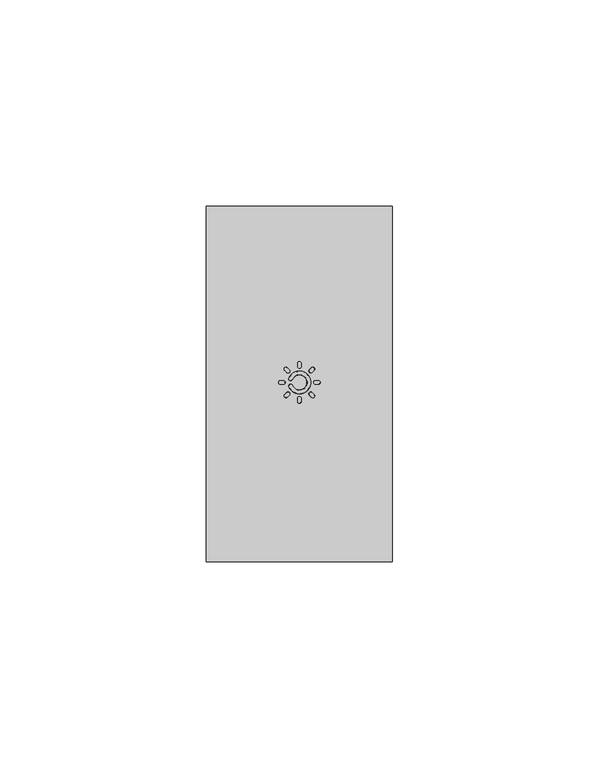
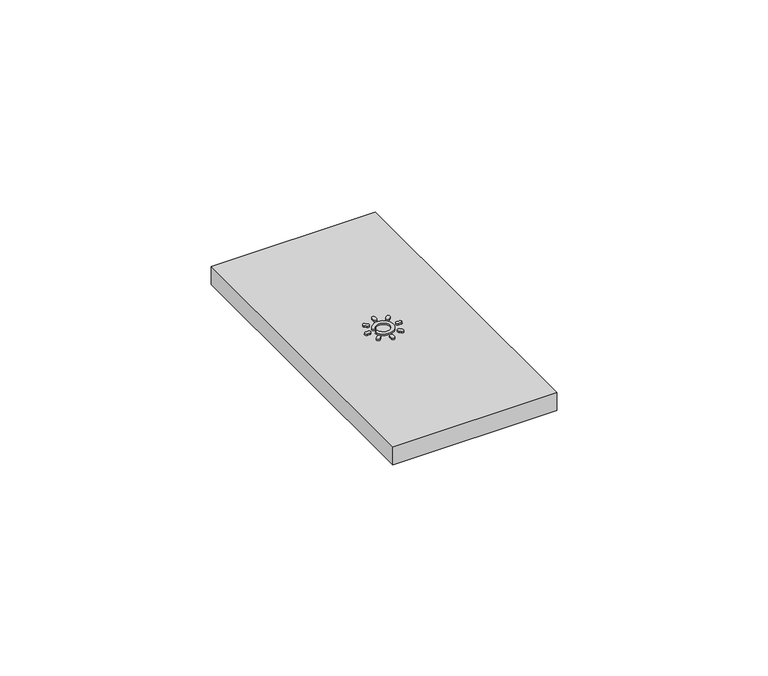
"""IFC4 building model written with IfcOpenShell, lengths in millimetres: proxy geometry."""

import ifcopenshell
import ifcopenshell.guid

model = None  # the IFC model being written
_history = None  # IfcOwnerHistory: only IFC2X3 demands one
_inside = {}  # id of a spatial element -> (the spatial element, [elements in it])
_under = {}  # id of a project, library or spatial element -> (it, [spatial elements below it])
_declared = {}  # id of a project -> (the project, [libraries it declares])
_typed = {}  # id of a type object -> (the type object, [elements of that type])
_made_of = {}  # id of a material, layer set ... -> (it, [elements and type objects made of it])


def new_model(schema):
    """Start an empty IFC model of exactly this schema.

    Asked for "IFC4X3", IfcOpenShell would pick the latest addendum, in which some entities
    have other attributes; the version numbers below select the first issue.
    IFC2X3 requires an IfcOwnerHistory on every rooted entity: one is made here for all.
    """
    global model, _history
    if schema == "IFC4X3":
        model = ifcopenshell.file(schema_version=(4, 3, 0, 0))
    else:
        model = ifcopenshell.file(schema=schema)
    _inside.clear()
    _under.clear()
    _declared.clear()
    _typed.clear()
    _made_of.clear()
    _history = None
    if model.schema == "IFC2X3":
        org = make("IfcOrganization", Name="unknown")
        user = make(
            "IfcPersonAndOrganization",
            ThePerson=make("IfcPerson", FamilyName="unknown"),
            TheOrganization=org,
        )
        app = make(
            "IfcApplication",
            ApplicationDeveloper=org,
            Version="unknown",
            ApplicationFullName="unknown",
            ApplicationIdentifier="unknown",
        )
        _history = make(
            "IfcOwnerHistory",
            OwningUser=user,
            OwningApplication=app,
            ChangeAction="ADDED",
            CreationDate=0,
        )
    return model


def make(cls, **values):
    """One entity of the class cls with the attributes given. An attribute that is None is left unset."""
    return model.create_entity(
        cls, **{name: value for name, value in values.items() if value is not None}
    )


def rooted(cls, **values):
    """An entity with a GlobalId (a new one), such as an element, a storey or a relation."""
    return make(cls, GlobalId=ifcopenshell.guid.new(), OwnerHistory=_history, **values)


def si_unit(unit_type, name, prefix=None):
    """IfcSIUnit, for example si_unit("LENGTHUNIT", "METRE", prefix="MILLI")."""
    return make("IfcSIUnit", UnitType=unit_type, Prefix=prefix, Name=name)


def assignment(units):
    """IfcUnitAssignment: the units of a project."""
    return None if units is None else make("IfcUnitAssignment", Units=units)


def point(xyz):
    """IfcCartesianPoint."""
    return None if xyz is None else make("IfcCartesianPoint", Coordinates=xyz)


def direction(xyz):
    """IfcDirection."""
    return None if xyz is None else make("IfcDirection", DirectionRatios=xyz)


def frame(location, z_axis=None, x_axis=None):
    """IfcAxis2Placement3D, a coordinate frame: its origin and axes. An axis left out is left unset."""
    return make(
        "IfcAxis2Placement3D",
        Location=point(location),
        Axis=direction(z_axis),
        RefDirection=direction(x_axis),
    )


def origin():
    """The frame at (0, 0, 0) with its axes left unset."""
    return frame((0.0, 0.0, 0.0))


def place(relative_to, where):
    """IfcLocalPlacement: puts the frame where relative to a parent placement (None: the world)."""
    return make(
        "IfcLocalPlacement", PlacementRelTo=relative_to, RelativePlacement=where
    )


def context(
    kind, dimensions, precision=None, world=None, true_north=None, identifier=None
):
    """IfcGeometricRepresentationContext, for example the 3D "Model" context."""
    return make(
        "IfcGeometricRepresentationContext",
        ContextIdentifier=identifier,
        ContextType=kind,
        CoordinateSpaceDimension=dimensions,
        Precision=precision,
        WorldCoordinateSystem=world,
        TrueNorth=true_north,
    )


def project(units=None, contexts=None):
    """IfcProject with its units and contexts."""
    return rooted(
        "IfcProject",
        Name="project",
        RepresentationContexts=contexts,
        UnitsInContext=assignment(units),
    )


def spatial(cls, under=None, at=None, **own):
    """A site, building, storey or space (cls), placed at a placement, below another one or the project."""
    s = rooted(cls, ObjectPlacement=at, **own)
    if under is not None:
        _under.setdefault(under.id(), (under, []))[1].append(s)
    return s


def polyline(points):
    """IfcPolyline through the points."""
    return make("IfcPolyline", Points=[point(p) for p in points])


def circle_curve(where, radius):
    """IfcCircle in the frame where."""
    return make("IfcCircle", Position=where, Radius=radius)


def outline(outer, holes=None, kind="AREA"):
    """IfcArbitraryClosedProfileDef: a profile drawn as a closed curve; with holes, ...WithVoids."""
    if holes is None:
        return make("IfcArbitraryClosedProfileDef", ProfileType=kind, OuterCurve=outer)
    return make(
        "IfcArbitraryProfileDefWithVoids",
        ProfileType=kind,
        OuterCurve=outer,
        InnerCurves=holes,
    )


def extrude(swept, where, along, depth):
    """IfcExtrudedAreaSolid: the profile swept, set in the frame where, extruded along a direction by depth."""
    return make(
        "IfcExtrudedAreaSolid",
        SweptArea=swept,
        Position=where,
        ExtrudedDirection=direction(along),
        Depth=depth,
    )


def shape(context_of_items, identifier, shape_type, items):
    """IfcShapeRepresentation: the items that make up one representation, for example the "Body"."""
    return make(
        "IfcShapeRepresentation",
        ContextOfItems=context_of_items,
        RepresentationIdentifier=identifier,
        RepresentationType=shape_type,
        Items=items,
    )


def source(mapping_origin, context_of_items, identifier, shape_type, items):
    """IfcRepresentationMap: a shape defined once, which mapped items show again and again."""
    return make(
        "IfcRepresentationMap",
        MappingOrigin=mapping_origin,
        MappedRepresentation=shape(context_of_items, identifier, shape_type, items),
    )


def transform(
    local_origin,
    x_axis=None,
    y_axis=None,
    z_axis=None,
    scale=None,
    scale2=None,
    scale3=None,
    uniform=True,
):
    """IfcCartesianTransformationOperator3D, or its non-uniform kind. x_axis, y_axis, z_axis: its Axis1, 2, 3."""
    if uniform:
        return make(
            "IfcCartesianTransformationOperator3D",
            Axis1=direction(x_axis),
            Axis2=direction(y_axis),
            LocalOrigin=point(local_origin),
            Scale=scale,
            Axis3=direction(z_axis),
        )
    return make(
        "IfcCartesianTransformationOperator3DnonUniform",
        Axis1=direction(x_axis),
        Axis2=direction(y_axis),
        LocalOrigin=point(local_origin),
        Scale=scale,
        Axis3=direction(z_axis),
        Scale2=scale2,
        Scale3=scale3,
    )


def mapped(mapping_source, mapping_target):
    """IfcMappedItem: shows the shape of a source again, moved by a transform."""
    return make(
        "IfcMappedItem", MappingSource=mapping_source, MappingTarget=mapping_target
    )


def made_of(thing, what):
    """Note that an element or type object is made of a material, layer set ...; save() writes the relation."""
    if what is not None:
        _made_of.setdefault(what.id(), (what, []))[1].append(thing)
    return thing


def element(
    cls,
    number,
    at=None,
    inside=None,
    cuts=None,
    type_object=None,
    material=None,
    context=None,
    identifier="Body",
    shape_type=None,
    held_by="IfcProductDefinitionShape",
    body=None,
    shapes=None,
    **own,
):
    """One element of the class cls, such as IfcWall. Its Tag is "e" and its number.

    at: its placement. inside: the storey or other place that contains it. cuts: it is an
    opening in that element (IfcRelVoidsElement). A single representation is given by context,
    identifier, shape_type and body (its items); several are given by shapes. held_by: the class
    of the entity that holds the representations. save() writes the other relations.
    """
    e = rooted(cls, Tag="e%d" % number, ObjectPlacement=at, **own)
    if body is not None:
        shapes = [shape(context, identifier, shape_type, body)]
    if shapes is not None:
        e.Representation = make(held_by, Representations=shapes)
    if inside is not None:
        _inside.setdefault(inside.id(), (inside, []))[1].append(e)
    if cuts is not None:
        rooted(
            "IfcRelVoidsElement", RelatingBuildingElement=cuts, RelatedOpeningElement=e
        )
    if type_object is not None:
        _typed.setdefault(type_object.id(), (type_object, []))[1].append(e)
    return made_of(e, material)


def aggregate(whole, parts):
    """IfcRelAggregates: a whole, such as a stair, and the parts it consists of."""
    return rooted("IfcRelAggregates", RelatingObject=whole, RelatedObjects=parts)


def save(model, path):
    """Write the relations noted so far, then the file.

    IfcRelAggregates (storeys below a building ...), IfcRelContainedInSpatialStructure (elements
    in a storey), IfcRelDefinesByType, IfcRelAssociatesMaterial and IfcRelDeclares: one each for
    every whole, place, type object, material and project.
    """
    for whole, parts in _under.values():
        aggregate(whole, parts)
    for where, things in _inside.values():
        rooted(
            "IfcRelContainedInSpatialStructure",
            RelatedElements=things,
            RelatingStructure=where,
        )
    for kind, things in _typed.values():
        rooted("IfcRelDefinesByType", RelatedObjects=things, RelatingType=kind)
    for what, things in _made_of.values():
        rooted("IfcRelAssociatesMaterial", RelatedObjects=things, RelatingMaterial=what)
    for by, libraries in _declared.values():
        rooted("IfcRelDeclares", RelatingContext=by, RelatedDefinitions=libraries)
    model.write(path)


def plane_surface(at):
    """IfcPlane: the flat surface through the origin of the frame at, square to its z axis."""
    return make("IfcPlane", Position=at)


def revolved_surface(curve, axis_point, axis_direction):
    """IfcSurfaceOfRevolution: the curve turned about the line through axis_point along axis_direction."""
    return make(
        "IfcSurfaceOfRevolution",
        SweptCurve=make("IfcArbitraryOpenProfileDef", ProfileType="CURVE", Curve=curve),
        AxisPosition=make("IfcAxis1Placement", Location=point(axis_point), Axis=direction(axis_direction)),
    )


def advanced_brep(points, edges, surfaces, faces):
    """IfcAdvancedBrep: a solid bounded by faces that lie on surfaces and meet in shared edges.

    An edge is (start, end): straight between two places in points (the first is 0);
    or (start, end, curve); or (start, end, curve, False) where it runs against its curve.
    A face is (place in surfaces, loops), or (place, loops, False) where it looks against
    its surface's normal. A loop lists edges by number (the first is 1), with a minus sign
    where the edge is run from its end to its start. The first loop is the outer one.
    """
    corners = [point(p) for p in points]
    vertices = [make("IfcVertexPoint", VertexGeometry=c) for c in corners]
    made = []
    for start, end, *more in edges:
        made.append(
            make(
                "IfcEdgeCurve",
                EdgeStart=vertices[start],
                EdgeEnd=vertices[end],
                EdgeGeometry=more[0] if more else make("IfcPolyline", Points=[corners[start], corners[end]]),
                SameSense=more[1] if len(more) > 1 else True,
            )
        )
    hull = []
    for where, loops, *sense in faces:
        bounds = []
        for j, loop in enumerate(loops):
            ring = [make("IfcOrientedEdge", EdgeElement=made[abs(k) - 1], Orientation=k > 0) for k in loop]
            bounds.append(
                make(
                    "IfcFaceOuterBound" if j == 0 else "IfcFaceBound",
                    Bound=make("IfcEdgeLoop", EdgeList=ring),
                    Orientation=True,
                )
            )
        hull.append(make("IfcAdvancedFace", Bounds=bounds, FaceSurface=surfaces[where], SameSense=sense[0] if sense else True))
    return make("IfcAdvancedBrep", Outer=make("IfcClosedShell", CfsFaces=hull))


def electrical_fixtures_6c737bce(model_context):
    return source(origin(), model_context, "Body", "SolidModel", [
        advanced_brep(
        [(17.9098359, 43.8107748, 11.1074072), (17.9098359, 42.94208, 11.1074072), (18.6098405, 42.94208, 11.1074072), (18.6098359, 43.8107748, 11.1074072), (18.6098359, 43.8464183, 10.7), (18.6098405, 42.9064365, 10.7), (17.9098359, 42.9064365, 10.7), (17.9098359, 43.8464183, 10.7)],
        [
            (0, 1, circle_curve(frame((17.9098359, 43.3764274, 11.1074072), z_axis=(0.0, 0.0, 1.0), x_axis=(0.0, 1.0000000000000002, 0.0)), 0.4343474)),
            (1, 2),
            (2, 3, circle_curve(frame((18.6098359, 43.3764274, 11.1074072), z_axis=(0.0, 0.0, 1.0), x_axis=(1.1578075136041428e-05, -0.9999999999329744, 0.0)), 0.4343474)),
            (3, 0),
            (4, 5, circle_curve(frame((18.6098359, 43.3764274, 10.7), z_axis=(0.0, 0.0, -1.0), x_axis=(1.1578075136041428e-05, -0.9999999999329744, 0.0)), 0.4699909)),
            (5, 6),
            (6, 7, circle_curve(frame((17.9098359, 43.3764274, 10.7), z_axis=(0.0, 0.0, -1.0), x_axis=(0.0, 1.0000000000000002, 0.0)), 0.4699909)),
            (7, 4),
            (7, 0),
            (3, 4),
            (6, 1),
            (5, 2),
        ],
        [
            plane_surface(frame((22.5098359, 43.3764274, 11.1074072), z_axis=(0.0, 0.0, 1.0), x_axis=(1.0, 0.0, 0.0))),
            plane_surface(frame((22.5098359, 43.3764274, 10.7), z_axis=(0.0, 0.0, -1.0), x_axis=(1.0, 0.0, 0.0))),
            plane_surface(frame((22.5098359, 43.7764274, 11.5), z_axis=(0.0, 0.9961946980917439, 0.0871557427476776), x_axis=(-1.0, 0.0, 0.0))),
            revolved_surface(polyline([(17.9098359, 43.81077479075854, 11.1074072), (17.9098359, 43.8464183, 10.7)]), (17.9098359, 43.3764274, 16.0720209), (0.0, 0.0, -1.0)),
            plane_surface(frame((22.5098359, 42.9764274, 11.5), z_axis=(0.0, -0.9961946980917439, 0.0871557427476776), x_axis=(-1.0, 0.0, 0.0))),
            revolved_surface(polyline([(18.609840151141878, 42.94208000924146, 11.1074072), (18.6098405, 42.9064365, 10.7)]), (18.6098359, 43.3764274, 16.0720209), (0.0, 0.0, -1.0)),
        ],
        [
            (0, [[1, 2, 3, 4]]),
            (1, [[5, 6, 7, 8]]),
            (2, [[-8, 9, -4, 10]]),
            (3, [[-7, 11, -1, -9]]),
            (4, [[12, -2, -11, -6]]),
            (5, [[-5, -10, -3, -12]]),
        ],
    ),
        advanced_brep(
        [(18.9500147, 40.4308662, 11.1074072), (19.5642747, 39.8166062, 11.1074072), (20.0592527, 40.3115842, 11.1074072), (19.4449895, 40.925841, 11.1074072), (19.5894785, 39.7914024, 10.7), (18.924811, 40.45607, 10.7), (19.4197857, 40.9510447, 10.7), (20.0844565, 40.2863804, 10.7)],
        [
            (0, 1, circle_curve(frame((19.2571447, 40.1237362, 11.1074072), z_axis=(0.0, 0.0, 1.0), x_axis=(-0.7071067811865489, 0.7071067811865462, 0.0)), 0.4343474)),
            (1, 2),
            (2, 3, circle_curve(frame((19.7521195, 40.618711, 11.1074072), z_axis=(0.0, 0.0, 1.0), x_axis=(0.7071149680746551, -0.7070985942036513, 0.0)), 0.4343474)),
            (3, 0),
            (4, 5, circle_curve(frame((19.2571447, 40.1237362, 10.7), z_axis=(0.0, 0.0, -1.0), x_axis=(-0.7071067811865489, 0.7071067811865462, 0.0)), 0.4699909)),
            (5, 6),
            (6, 7, circle_curve(frame((19.7521195, 40.618711, 10.7), z_axis=(0.0, 0.0, -1.0), x_axis=(0.7071149680746551, -0.7070985942036513, 0.0)), 0.4699909)),
            (7, 4),
            (5, 0),
            (3, 6),
            (4, 1),
            (7, 2),
        ],
        [
            plane_surface(frame((22.5098359, 43.3764274, 11.1074072), z_axis=(0.0, 0.0, 1.0), x_axis=(1.0, 0.0, 0.0))),
            plane_surface(frame((22.5098359, 43.3764274, 10.7), z_axis=(0.0, 0.0, -1.0), x_axis=(1.0, 0.0, 0.0))),
            plane_surface(frame((22.2269932, 43.6592701, 11.5), z_axis=(-0.7044160264027598, 0.7044160264027562, 0.08715574274767007), x_axis=(0.7071067811865458, 0.7071067811865493, 0.0))),
            revolved_surface(polyline([(18.950014763109454, 40.43086622930667, 11.1074072), (18.924811, 40.45607, 10.7)]), (19.2571447, 40.1237362, 16.0720209), (0.0, 0.0, -1.0)),
            plane_surface(frame((22.7926786, 43.0935847, 11.5), z_axis=(0.7044160264027598, -0.7044160264027562, 0.08715574274767007), x_axis=(-0.7071067811865458, -0.7071067811865493, 0.0))),
            revolved_surface(polyline([(20.059252486622764, 40.31158392800941, 11.1074072), (20.0844565, 40.2863804, 10.7)]), (19.7521195, 40.618711, 16.0720209), (0.0, 0.0, -1.0)),
        ],
        [
            (0, [[1, 2, 3, 4]]),
            (1, [[5, 6, 7, 8]]),
            (2, [[9, -4, 10, -6]]),
            (3, [[-5, 11, -1, -9]]),
            (4, [[12, -2, -11, -8]]),
            (5, [[-7, -10, -3, -12]]),
        ],
    ),
        advanced_brep(
        [(22.0754885, 38.7764274, 11.1074072), (22.9441834, 38.7764274, 11.1074072), (22.9441834, 39.4764324, 11.1074072), (22.0754885, 39.4764274, 11.1074072), (22.039845, 39.4764274, 10.7), (22.9798269, 39.4764328, 10.7), (22.9798269, 38.7764274, 10.7), (22.039845, 38.7764274, 10.7)],
        [
            (0, 1, circle_curve(frame((22.5098359, 38.7764274, 11.1074072), z_axis=(0.0, 0.0, 1.0), x_axis=(-1.0000000000000002, 0.0, 0.0)), 0.4343474)),
            (1, 2),
            (2, 3, circle_curve(frame((22.5098359, 39.4764274, 11.1074072), z_axis=(0.0, 0.0, 1.0), x_axis=(0.9999999999329744, 1.1578075136041428e-05, 0.0)), 0.4343474)),
            (3, 0),
            (4, 5, circle_curve(frame((22.5098359, 39.4764274, 10.7), z_axis=(0.0, 0.0, -1.0), x_axis=(0.9999999999329744, 1.1578075136041428e-05, 0.0)), 0.4699909)),
            (5, 6),
            (6, 7, circle_curve(frame((22.5098359, 38.7764274, 10.7), z_axis=(0.0, 0.0, -1.0), x_axis=(-1.0000000000000002, 0.0, 0.0)), 0.4699909)),
            (7, 4),
            (4, 3),
            (2, 5),
            (7, 0),
            (6, 1),
        ],
        [
            plane_surface(frame((22.5098359, 43.3764274, 11.1074072), z_axis=(0.0, 0.0, 1.0), x_axis=(1.0, 0.0, 0.0))),
            plane_surface(frame((22.5098359, 43.3764274, 10.7), z_axis=(0.0, 0.0, -1.0), x_axis=(1.0, 0.0, 0.0))),
            revolved_surface(polyline([(22.944183383174664, 39.4764323904709, 11.1074072), (22.9798269, 39.4764328, 10.7)]), (22.5098359, 39.4764274, 16.0720209), (0.0, 0.0, -1.0)),
            plane_surface(frame((22.1098359, 43.3764274, 11.5), z_axis=(-0.9961946980917439, 0.0, 0.0871557427476776), x_axis=(0.0, -1.0, 0.0))),
            revolved_surface(polyline([(22.075488509241463, 38.7764274, 11.1074072), (22.039845, 38.7764274, 10.7)]), (22.5098359, 38.7764274, 16.0720209), (0.0, 0.0, -1.0)),
            plane_surface(frame((22.9098359, 43.3764274, 11.5), z_axis=(0.9961946980917439, 0.0, 0.0871557427476776), x_axis=(0.0, -1.0, 0.0))),
        ],
        [
            (0, [[1, 2, 3, 4]]),
            (1, [[5, 6, 7, 8]]),
            (2, [[-5, 9, -3, 10]]),
            (3, [[-8, 11, -4, -9]]),
            (4, [[-7, 12, -1, -11]]),
            (5, [[-10, -2, -12, -6]]),
        ],
    ),
        advanced_brep(
        [(25.4553971, 39.8166062, 11.1074072), (26.0696571, 40.4308662, 11.1074072), (25.5746791, 40.9258442, 11.1074072), (24.9604224, 40.3115809, 11.1074072), (26.0948609, 40.45607, 10.7), (25.4301934, 39.7914024, 10.7), (24.9352186, 40.2863772, 10.7), (25.5998829, 40.951048, 10.7)],
        [
            (0, 1, circle_curve(frame((25.7625271, 40.1237362, 11.1074072), z_axis=(0.0, 0.0, 1.0), x_axis=(-0.7071067811865462, -0.7071067811865489, 0.0)), 0.4343474)),
            (1, 2),
            (2, 3, circle_curve(frame((25.2675524, 40.618711, 11.1074072), z_axis=(0.0, 0.0, 1.0), x_axis=(0.707098594203652, 0.7071149680746545, 0.0)), 0.4343474)),
            (3, 0),
            (4, 5, circle_curve(frame((25.7625271, 40.1237362, 10.7), z_axis=(0.0, 0.0, -1.0), x_axis=(-0.7071067811865462, -0.7071067811865489, 0.0)), 0.4699909)),
            (5, 6),
            (6, 7, circle_curve(frame((25.2675524, 40.618711, 10.7), z_axis=(0.0, 0.0, -1.0), x_axis=(0.707098594203652, 0.7071149680746545, 0.0)), 0.4699909)),
            (7, 4),
            (7, 2),
            (1, 4),
            (6, 3),
            (5, 0),
        ],
        [
            plane_surface(frame((22.5098359, 43.3764274, 11.1074072), z_axis=(0.0, 0.0, 1.0), x_axis=(1.0, 0.0, 0.0))),
            plane_surface(frame((22.5098359, 43.3764274, 10.7), z_axis=(0.0, 0.0, -1.0), x_axis=(1.0, 0.0, 0.0))),
            plane_surface(frame((22.7926786, 43.6592701, 11.5), z_axis=(0.7044160264027562, 0.7044160264027598, 0.08715574274767007), x_axis=(0.7071067811865493, -0.7071067811865458, 0.0))),
            revolved_surface(polyline([(25.574679379574455, 40.92584398662276, 11.1074072), (25.5998829, 40.951048, 10.7)]), (25.2675524, 40.618711, 16.0720209), (0.0, 0.0, -1.0)),
            plane_surface(frame((22.2269932, 43.0935847, 11.5), z_axis=(-0.7044160264027562, -0.7044160264027598, 0.08715574274767007), x_axis=(-0.7071067811865493, 0.7071067811865458, 0.0))),
            revolved_surface(polyline([(25.455397163109456, 39.816606170693326, 11.1074072), (25.4301934, 39.7914024, 10.7)]), (25.7625271, 40.1237362, 16.0720209), (0.0, 0.0, -1.0)),
        ],
        [
            (0, [[1, 2, 3, 4]]),
            (1, [[5, 6, 7, 8]]),
            (2, [[9, -2, 10, -8]]),
            (3, [[-7, 11, -3, -9]]),
            (4, [[12, -4, -11, -6]]),
            (5, [[-5, -10, -1, -12]]),
        ],
    ),
        advanced_brep(
        [(27.1098359, 42.94208, 11.1074072), (27.1098359, 43.8107748, 11.1074072), (26.4098313, 43.8107748, 11.1074072), (26.4098359, 42.94208, 11.1074072), (26.4098359, 42.9064365, 10.7), (26.4098313, 43.8464183, 10.7), (27.1098359, 43.8464183, 10.7), (27.1098359, 42.9064365, 10.7)],
        [
            (0, 1, circle_curve(frame((27.1098359, 43.3764274, 11.1074072), z_axis=(0.0, 0.0, 1.0), x_axis=(0.0, -1.0000000000000002, 0.0)), 0.4343474)),
            (1, 2),
            (2, 3, circle_curve(frame((26.4098359, 43.3764274, 11.1074072), z_axis=(0.0, 0.0, 1.0), x_axis=(-1.1578075137363286e-05, 0.9999999999329744, 0.0)), 0.4343474)),
            (3, 0),
            (4, 5, circle_curve(frame((26.4098359, 43.3764274, 10.7), z_axis=(0.0, 0.0, -1.0), x_axis=(-1.1578075137363286e-05, 0.9999999999329744, 0.0)), 0.4699909)),
            (5, 6),
            (6, 7, circle_curve(frame((27.1098359, 43.3764274, 10.7), z_axis=(0.0, 0.0, -1.0), x_axis=(0.0, -1.0000000000000002, 0.0)), 0.4699909)),
            (7, 4),
            (5, 2),
            (1, 6),
            (4, 3),
            (7, 0),
        ],
        [
            plane_surface(frame((22.5098359, 43.3764274, 11.1074072), z_axis=(0.0, 0.0, 1.0), x_axis=(1.0, 0.0, 0.0))),
            plane_surface(frame((22.5098359, 43.3764274, 10.7), z_axis=(0.0, 0.0, -1.0), x_axis=(1.0, 0.0, 0.0))),
            plane_surface(frame((22.5098359, 43.7764274, 11.5), z_axis=(0.0, 0.9961946980917439, 0.0871557427476776), x_axis=(1.0, 0.0, 0.0))),
            revolved_surface(polyline([(26.409831648858123, 43.81077479075854, 11.1074072), (26.4098313, 43.8464183, 10.7)]), (26.4098359, 43.3764274, 16.0720209), (0.0, 0.0, -1.0)),
            plane_surface(frame((22.5098359, 42.9764274, 11.5), z_axis=(0.0, -0.9961946980917439, 0.0871557427476776), x_axis=(1.0, 0.0, 0.0))),
            revolved_surface(polyline([(27.1098359, 42.94208000924146, 11.1074072), (27.1098359, 42.9064365, 10.7)]), (27.1098359, 43.3764274, 16.0720209), (0.0, 0.0, -1.0)),
        ],
        [
            (0, [[1, 2, 3, 4]]),
            (1, [[5, 6, 7, 8]]),
            (2, [[9, -2, 10, -6]]),
            (3, [[-5, 11, -3, -9]]),
            (4, [[-8, 12, -4, -11]]),
            (5, [[-7, -10, -1, -12]]),
        ],
    ),
        advanced_brep(
        [(26.0696571, 46.3219886, 11.1074072), (25.4553971, 46.9362486, 11.1074072), (24.9604191, 46.4412706, 11.1074072), (25.5746824, 45.8270138, 11.1074072), (25.5998862, 45.8018101, 10.7), (24.9352153, 46.4664744, 10.7), (25.4301934, 46.9614524, 10.7), (26.0948609, 46.2967848, 10.7)],
        [
            (0, 1, circle_curve(frame((25.7625271, 46.6291186, 11.1074072), z_axis=(0.0, 0.0, 1.0), x_axis=(0.7071067811865489, -0.7071067811865462, 0.0)), 0.4343474)),
            (1, 2),
            (2, 3, circle_curve(frame((25.2675524, 46.1341439, 11.1074072), z_axis=(0.0, 0.0, 1.0), x_axis=(-0.7071149680746551, 0.7070985942036513, 0.0)), 0.4343474)),
            (3, 0),
            (4, 5, circle_curve(frame((25.2675524, 46.1341439, 10.7), z_axis=(0.0, 0.0, -1.0), x_axis=(-0.7071149680746551, 0.7070985942036513, 0.0)), 0.4699909)),
            (5, 6),
            (6, 7, circle_curve(frame((25.7625271, 46.6291186, 10.7), z_axis=(0.0, 0.0, -1.0), x_axis=(0.7071067811865489, -0.7071067811865462, 0.0)), 0.4699909)),
            (7, 4),
            (6, 1),
            (0, 7),
            (5, 2),
            (4, 3),
        ],
        [
            plane_surface(frame((22.5098359, 43.3764274, 11.1074072), z_axis=(0.0, 0.0, 1.0), x_axis=(1.0, 0.0, 0.0))),
            plane_surface(frame((22.5098359, 43.3764274, 10.7), z_axis=(0.0, 0.0, -1.0), x_axis=(1.0, 0.0, 0.0))),
            revolved_surface(polyline([(26.069657129306673, 46.32198857069332, 11.1074072), (26.0948609, 46.2967848, 10.7)]), (25.7625271, 46.6291186, 16.0720209), (0.0, 0.0, -1.0)),
            plane_surface(frame((22.2269932, 43.6592701, 11.5), z_axis=(-0.7044160264027598, 0.7044160264027562, 0.08715574274767007), x_axis=(0.7071067811865458, 0.7071067811865493, 0.0))),
            revolved_surface(polyline([(24.96041932096111, 46.44127087957446, 11.1074072), (24.9352153, 46.4664744, 10.7)]), (25.2675524, 46.1341439, 16.0720209), (0.0, 0.0, -1.0)),
            plane_surface(frame((22.7926786, 43.0935847, 11.5), z_axis=(0.7044160264027598, -0.7044160264027562, 0.08715574274767007), x_axis=(-0.7071067811865458, -0.7071067811865493, 0.0))),
        ],
        [
            (0, [[1, 2, 3, 4]]),
            (1, [[5, 6, 7, 8]]),
            (2, [[-7, 9, -1, 10]]),
            (3, [[11, -2, -9, -6]]),
            (4, [[-5, 12, -3, -11]]),
            (5, [[-10, -4, -12, -8]]),
        ],
    ),
        advanced_brep(
        [(22.9441834, 47.9764274, 11.1074072), (22.0754885, 47.9764274, 11.1074072), (22.0754885, 47.2764228, 11.1074072), (22.9441834, 47.2764274, 11.1074072), (22.9798269, 47.2764274, 10.7), (22.039845, 47.2764228, 10.7), (22.039845, 47.9764274, 10.7), (22.9798269, 47.9764274, 10.7)],
        [
            (0, 1, circle_curve(frame((22.5098359, 47.9764274, 11.1074072), z_axis=(0.0, 0.0, 1.0), x_axis=(1.0000000000000002, 0.0, 0.0)), 0.4343474)),
            (1, 2),
            (2, 3, circle_curve(frame((22.5098359, 47.2764274, 11.1074072), z_axis=(0.0, 0.0, 1.0), x_axis=(-0.9999999999329744, -1.1578075136041428e-05, 0.0)), 0.4343474)),
            (3, 0),
            (4, 5, circle_curve(frame((22.5098359, 47.2764274, 10.7), z_axis=(0.0, 0.0, -1.0), x_axis=(-0.9999999999329744, -1.1578075136041428e-05, 0.0)), 0.4699909)),
            (5, 6),
            (6, 7, circle_curve(frame((22.5098359, 47.9764274, 10.7), z_axis=(0.0, 0.0, -1.0), x_axis=(1.0000000000000002, 0.0, 0.0)), 0.4699909)),
            (7, 4),
            (6, 1),
            (0, 7),
            (5, 2),
            (4, 3),
        ],
        [
            plane_surface(frame((22.5098359, 43.3764274, 11.1074072), z_axis=(0.0, 0.0, 1.0), x_axis=(1.0, 0.0, 0.0))),
            plane_surface(frame((22.5098359, 43.3764274, 10.7), z_axis=(0.0, 0.0, -1.0), x_axis=(1.0, 0.0, 0.0))),
            revolved_surface(polyline([(22.944183383174664, 47.9764274, 11.1074072), (22.9798269, 47.9764274, 10.7)]), (22.5098359, 47.9764274, 16.0720209), (0.0, 0.0, -1.0)),
            plane_surface(frame((22.1098359, 43.3764274, 11.5), z_axis=(-0.9961946980917439, 0.0, 0.0871557427476776), x_axis=(0.0, 1.0, 0.0))),
            revolved_surface(polyline([(22.075488509241463, 47.27642314885812, 11.1074072), (22.039845, 47.2764228, 10.7)]), (22.5098359, 47.2764274, 16.0720209), (0.0, 0.0, -1.0)),
            plane_surface(frame((22.9098359, 43.3764274, 11.5), z_axis=(0.9961946980917439, 0.0, 0.0871557427476776), x_axis=(0.0, 1.0, 0.0))),
        ],
        [
            (0, [[1, 2, 3, 4]]),
            (1, [[5, 6, 7, 8]]),
            (2, [[-7, 9, -1, 10]]),
            (3, [[11, -2, -9, -6]]),
            (4, [[-5, 12, -3, -11]]),
            (5, [[-8, -10, -4, -12]]),
        ],
    ),
        advanced_brep(
        [(19.5642747, 46.9362486, 11.1074072), (18.9500147, 46.3219886, 11.1074072), (19.4449927, 45.8270106, 11.1074072), (20.0592495, 46.4412739, 11.1074072), (18.924811, 46.2967848, 10.7), (19.5894785, 46.9614524, 10.7), (20.0844533, 46.4664776, 10.7), (19.419789, 45.8018068, 10.7)],
        [
            (0, 1, circle_curve(frame((19.2571447, 46.6291186, 11.1074072), z_axis=(0.0, 0.0, 1.0), x_axis=(0.7071067811865462, 0.7071067811865489, 0.0)), 0.4343474)),
            (1, 2),
            (2, 3, circle_curve(frame((19.7521195, 46.1341439, 11.1074072), z_axis=(0.0, 0.0, 1.0), x_axis=(-0.707098594203652, -0.7071149680746545, 0.0)), 0.4343474)),
            (3, 0),
            (4, 5, circle_curve(frame((19.2571447, 46.6291186, 10.7), z_axis=(0.0, 0.0, -1.0), x_axis=(0.7071067811865462, 0.7071067811865489, 0.0)), 0.4699909)),
            (5, 6),
            (6, 7, circle_curve(frame((19.7521195, 46.1341439, 10.7), z_axis=(0.0, 0.0, -1.0), x_axis=(-0.707098594203652, -0.7071149680746545, 0.0)), 0.4699909)),
            (7, 4),
            (5, 0),
            (3, 6),
            (4, 1),
            (7, 2),
        ],
        [
            plane_surface(frame((22.5098359, 43.3764274, 11.1074072), z_axis=(0.0, 0.0, 1.0), x_axis=(1.0, 0.0, 0.0))),
            plane_surface(frame((22.5098359, 43.3764274, 10.7), z_axis=(0.0, 0.0, -1.0), x_axis=(1.0, 0.0, 0.0))),
            plane_surface(frame((22.7926786, 43.6592701, 11.5), z_axis=(0.7044160264027562, 0.7044160264027598, 0.08715574274767007), x_axis=(0.7071067811865493, -0.7071067811865458, 0.0))),
            revolved_surface(polyline([(19.56427472930667, 46.936248629306675, 11.1074072), (19.5894785, 46.9614524, 10.7)]), (19.2571447, 46.6291186, 16.0720209), (0.0, 0.0, -1.0)),
            plane_surface(frame((22.2269932, 43.0935847, 11.5), z_axis=(-0.7044160264027562, -0.7044160264027598, 0.08715574274767007), x_axis=(-0.7071067811865493, 0.7071067811865458, 0.0))),
            revolved_surface(polyline([(19.444992520425547, 45.827010820961114, 11.1074072), (19.419789, 45.8018068, 10.7)]), (19.7521195, 46.1341439, 16.0720209), (0.0, 0.0, -1.0)),
        ],
        [
            (0, [[1, 2, 3, 4]]),
            (1, [[5, 6, 7, 8]]),
            (2, [[9, -4, 10, -6]]),
            (3, [[-5, 11, -1, -9]]),
            (4, [[12, -2, -11, -8]]),
            (5, [[-7, -10, -3, -12]]),
        ],
    ),
        advanced_brep(
        [(19.9839098, 42.3293587, 11.1074072), (19.9839098, 44.4234961, 11.1074072), (20.7863898, 44.0908454, 11.1074072), (20.7863898, 42.6620095, 11.1074072), (19.9509831, 42.3157097, 10.7), (20.8193165, 42.6756585, 10.7), (20.8193165, 44.0771964, 10.7), (19.9509831, 44.4371451, 10.7)],
        [
            (0, 1, circle_curve(frame((22.5098359, 43.3764274, 11.1074072), z_axis=(0.0, 0.0, 1.0), x_axis=(-0.923776595358987, -0.38293185015999737, 0.0)), 2.7343474)),
            (1, 2, circle_curve(frame((20.3851498, 44.2571708, 11.1074072), z_axis=(0.0, 0.0, 1.0), x_axis=(-0.9237767842218566, 0.3829313945509376, 0.0)), 0.4343474)),
            (2, 3, circle_curve(frame((22.5098359, 43.3764274, 11.1074072), z_axis=(0.0, 0.0, -1.0), x_axis=(-0.9237765614277774, -0.3829319320149103, 0.0)), 1.8656526)),
            (3, 0, circle_curve(frame((20.3851498, 42.495684, 11.1074072), z_axis=(0.0, 0.0, 1.0), x_axis=(0.9237766294580904, 0.38293176790004013, 0.0)), 0.4343474)),
            (4, 5, circle_curve(frame((20.3851498, 42.495684, 10.7), z_axis=(0.0, 0.0, -1.0), x_axis=(0.9237766294580904, 0.38293176790004013, 0.0)), 0.4699909)),
            (5, 6, circle_curve(frame((22.5098359, 43.3764274, 10.7), z_axis=(0.0, 0.0, 1.0), x_axis=(-0.9237765614277774, -0.3829319320149103, 0.0)), 1.8300091)),
            (6, 7, circle_curve(frame((20.3851498, 44.2571708, 10.7), z_axis=(0.0, 0.0, -1.0), x_axis=(-0.9237767842218566, 0.3829313945509376, 0.0)), 0.4699909)),
            (7, 4, circle_curve(frame((22.5098359, 43.3764274, 10.7), z_axis=(0.0, 0.0, -1.0), x_axis=(-0.923776595358987, -0.38293185015999737, 0.0)), 2.7699909)),
            (4, 0),
            (3, 5),
            (7, 1),
            (6, 2),
        ],
        [
            plane_surface(frame((22.5098359, 43.3764274, 11.1074072), z_axis=(0.0, 0.0, 1.0), x_axis=(1.0, 0.0, 0.0))),
            plane_surface(frame((22.5098359, 43.3764274, 10.7), z_axis=(0.0, 0.0, -1.0), x_axis=(1.0, 0.0, 0.0))),
            revolved_surface(polyline([(20.78638985230579, 42.66200946391445, 11.1074072), (20.8193165, 42.6756585, 10.7)]), (20.3851498, 42.495684, 16.0720209), (0.0, 0.0, -1.0)),
            revolved_surface(polyline([(19.98390974177437, 42.32935873511903, 11.1074072), (19.9509831, 42.3157097, 10.7)]), (22.5098359, 43.3764274, 42.3611412), (0.0, 0.0, -1.0)),
            revolved_surface(polyline([(19.98390974769421, 44.4234960790822, 11.1074072), (19.9509831, 44.4371451, 10.7)]), (20.3851498, 44.2571708, 16.0720209), (0.0, 0.0, -1.0)),
            revolved_surface(polyline([(20.7863898, 42.6620095, 11.107407199999999), (20.81931643990415, 42.67565853778214, 10.699999999999998)]), (22.5098359, 43.3764274, -10.2170994), (0.0, 0.0, 1.0)),
        ],
        [
            (0, [[1, 2, 3, 4]]),
            (1, [[5, 6, 7, 8]]),
            (2, [[-5, 9, -4, 10]]),
            (3, [[-8, 11, -1, -9]]),
            (4, [[-7, 12, -2, -11]]),
            (5, [[-6, -10, -3, -12]]),
        ],
    ),
        extrude(outline(polyline([(0.0, 0.0), (0.0, 86.0), (45.0, 86.0), (45.0, 0.0), (0.0, 0.0)])), frame((0.0, 0.0, 5.5), z_axis=(0.0, 0.0, 1.0), x_axis=(1.0, 0.0, 0.0)), (0.0, 0.0, 1.0), 5.2),
    ])


if __name__ == "__main__":
    model = new_model("IFC4")
    model_context = context("Model", 3, world=origin())
    ifc_project = project(units=[si_unit("LENGTHUNIT", "METRE", prefix="MILLI")], contexts=[model_context])
    site = spatial("IfcSite", under=ifc_project)
    building = spatial("IfcBuilding", under=site)
    placement = place(None, origin())
    electrical_fixtures_shape = electrical_fixtures_6c737bce(model_context)
    element("IfcBuildingElementProxy", 1, Name="Electrical Fixtures", at=placement, inside=building, context=model_context, shape_type="MappedRepresentation", body=[
        mapped(electrical_fixtures_shape, transform((0.0, 0.0, 0.0), x_axis=(1.0, 0.0, 0.0), y_axis=(0.0, 1.0, 0.0), z_axis=(0.0, 0.0, 1.0))),
    ])
    save(model, "model.ifc")
